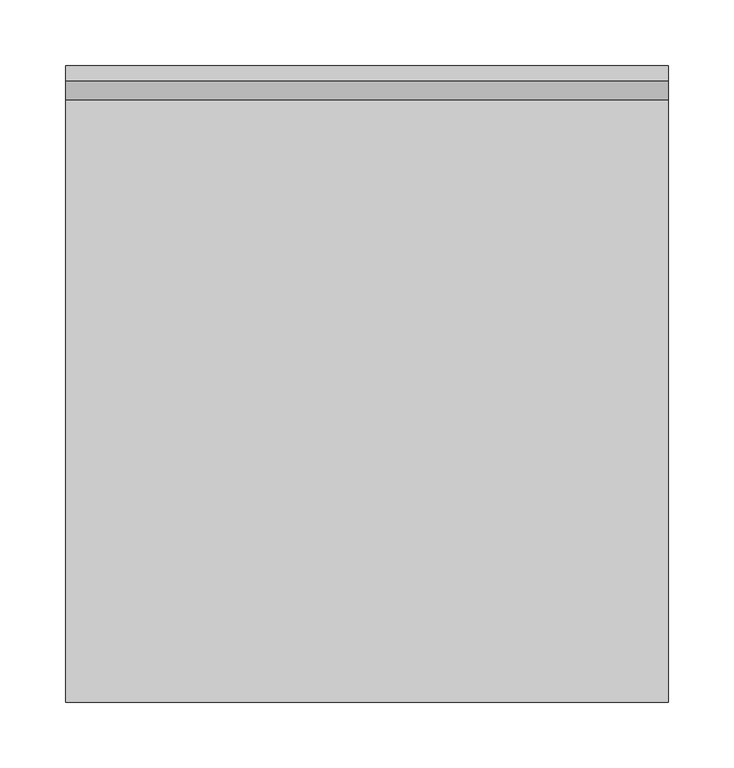
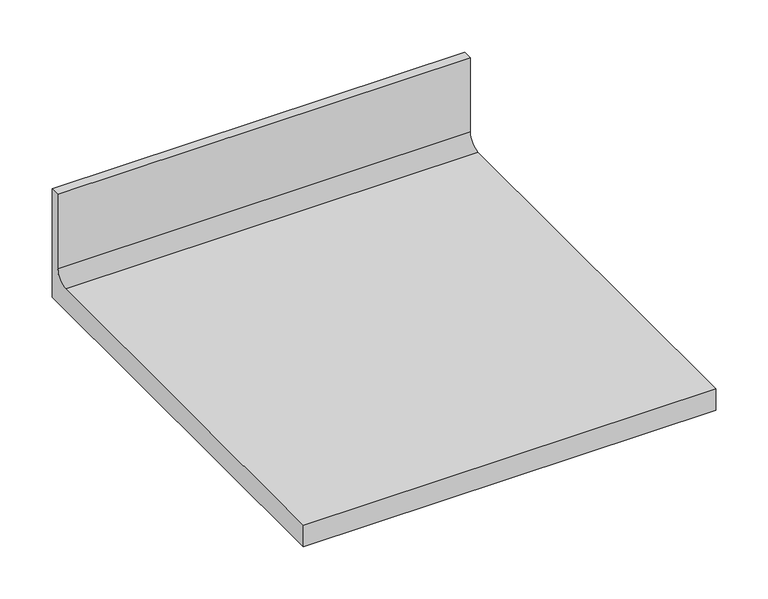
"""IFC4 building model written with IfcOpenShell, lengths in millimetres: furniture geometry."""

from ifc_helpers import new_model, si_unit, point, frame, frame_2d, origin, place, context, project, spatial, polyline, circle_curve, trimmed, segment, composite_curve, outline, extrude, source, transform, mapped, element, save


def furniture_b546824f(model_context):
    return source(origin(), model_context, "Body", "SweptSolid", [
        extrude(outline(composite_curve([segment(polyline([(0.0, 787.4), (-482.6, 787.4), (-482.6, 812.8), (-25.8191, 812.8)]), True, "CONTINUOUS"), segment(trimmed(circle_curve(frame_2d((-25.8191, 827.5066)), 14.7066), [point((-25.8191, 812.8))], [point((-11.1125, 827.5066))], True, "CARTESIAN"), True, "CONTINUOUS"), segment(polyline([(-11.1125, 827.5066), (-11.1125, 914.4), (0.0, 914.4), (0.0, 787.4)]), True, "CONTINUOUS")], self_intersect=False)), frame((0.0, 0.0, 0.0), z_axis=(1.0, 0.0, 0.0), x_axis=(0.0, 1.0, 0.0)), (0.0, 0.0, 1.0), 457.2),
    ])


if __name__ == "__main__":
    model = new_model("IFC4")
    model_context = context("Model", 3, world=origin())
    ifc_project = project(units=[si_unit("LENGTHUNIT", "METRE", prefix="MILLI")], contexts=[model_context])
    site = spatial("IfcSite", under=ifc_project)
    building = spatial("IfcBuilding", under=site)
    placement = place(None, origin())
    furniture_shape = furniture_b546824f(model_context)
    element("IfcFurniture", 1, at=placement, inside=building, context=model_context, shape_type="MappedRepresentation", body=[
        mapped(furniture_shape, transform((0.0, 0.0, 0.0), x_axis=(1.0, 0.0, 0.0), y_axis=(0.0, 1.0, 0.0), z_axis=(0.0, 0.0, 1.0))),
    ])
    save(model, "model.ifc")
